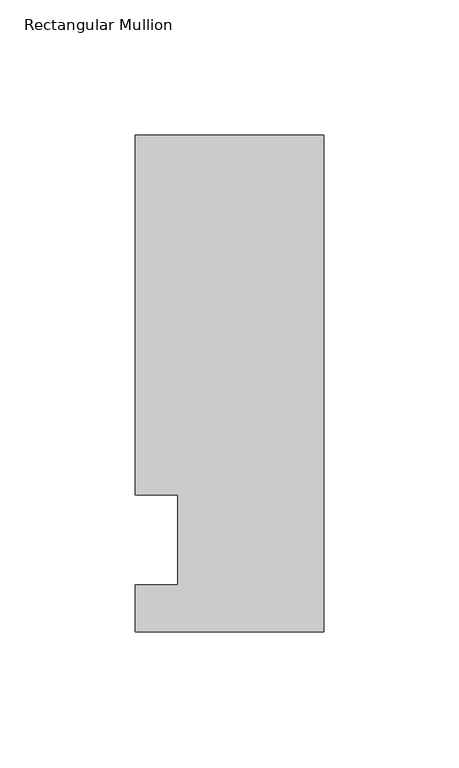
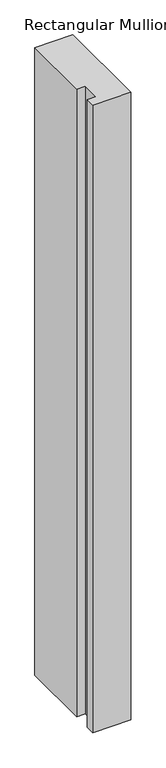
"""IFC4 building model written with IfcOpenShell, lengths in millimetres: member geometry, Rectangular Mullion."""

from ifc_helpers import new_model, si_unit, frame, origin, place, context, project, spatial, polyline, outline, extrude, source, transform, mapped, element, save


def rectangular_mullion_2e22ac88(model_context):
    return source(origin(), model_context, "Body", "SweptSolid", [
        extrude(outline(polyline([(-69.85, 150.01875), (0.0, 150.01875), (0.0, -34.13125), (-69.85, -34.13125), (-69.85, -16.66875), (-53.975, -16.66875), (-53.975, 16.66875), (-69.85, 16.66875), (-69.85, 150.01875)])), frame((0.0, 0.0, -1219.2), z_axis=(0.0, 0.0, 1.0), x_axis=(1.0, 0.0, 0.0)), (0.0, 0.0, 1.0), 1219.2),
    ])


if __name__ == "__main__":
    model = new_model("IFC4")
    model_context = context("Model", 3, world=origin())
    ifc_project = project(units=[si_unit("LENGTHUNIT", "METRE", prefix="MILLI")], contexts=[model_context])
    site = spatial("IfcSite", under=ifc_project)
    building = spatial("IfcBuilding", under=site)
    placement = place(None, origin())
    rectangular_mullion_shape = rectangular_mullion_2e22ac88(model_context)
    element("IfcMember", 1, ObjectType="Rectangular Mullion", at=placement, inside=building, context=model_context, shape_type="MappedRepresentation", body=[
        mapped(rectangular_mullion_shape, transform((0.0, 0.0, 0.0), x_axis=(1.0, 0.0, 0.0), y_axis=(0.0, 1.0, 0.0), z_axis=(0.0, 0.0, 1.0))),
    ])
    save(model, "model.ifc")
